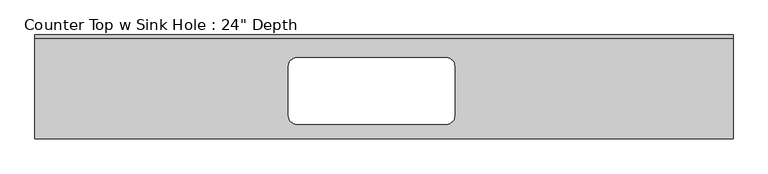
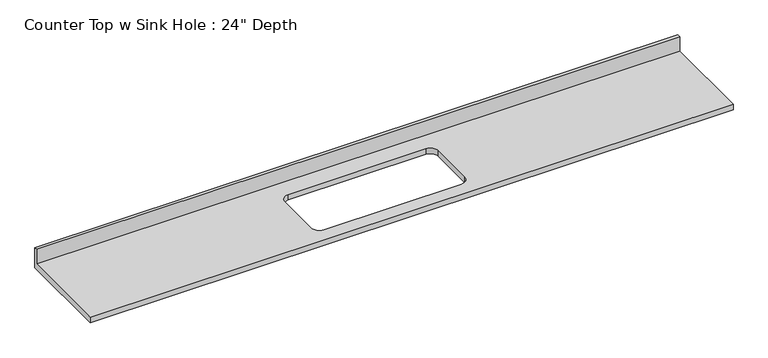
"""IFC4 building model written with IfcOpenShell, lengths in millimetres: furniture geometry."""

from ifc_helpers import new_model, si_unit, frame, origin, place, context, project, spatial, polyline, circle_curve, source, transform, mapped, element, save
from ifc_brep_helpers import plane_surface, revolved_surface, advanced_brep


def furniture_226746e0(model_context):
    return source(origin(), model_context, "Body", "AdvancedBrep", [
        advanced_brep(
        [(-1200.4622951, -635.0, 914.4), (3066.7377049, -635.0, 914.4), (3066.7377049, -19.05, 914.4), (-1200.4622951, -19.05, 914.4), (399.7377049, -139.7, 914.4), (1314.1377049, -139.7, 914.4), (1364.9377049, -190.5, 914.4), (1364.9377049, -495.3, 914.4), (1314.1377049, -546.1, 914.4), (399.7377049, -546.1, 914.4), (348.9377049, -495.3, 914.4), (348.9377049, -190.5, 914.4), (3066.7377049, 0.0, 876.3), (3066.7377049, -635.0, 876.3), (-1200.4622951, -635.0, 876.3), (-1200.4622951, 0.0, 876.3), (1314.1377049, -139.7, 876.3), (399.7377049, -139.7, 876.3), (348.9377049, -190.5, 876.3), (348.9377049, -495.3, 876.3), (399.7377049, -546.1, 876.3), (1314.1377049, -546.1, 876.3), (1364.9377049, -495.3, 876.3), (1364.9377049, -190.5, 876.3), (-1200.4622951, 0.0, 1016.0), (3066.7377049, 0.0, 1016.0), (-1200.4622951, -19.05, 1016.0), (3066.7377049, -19.05, 1016.0)],
        [
            (0, 1),
            (1, 2),
            (2, 3),
            (3, 0),
            (4, 5),
            (5, 6, circle_curve(frame((1314.1377049, -190.5, 914.4), z_axis=(0.0, 0.0, -1.0), x_axis=(1.0, 0.0, 0.0)), 50.8)),
            (6, 7),
            (7, 8, circle_curve(frame((1314.1377049, -495.3, 914.4), z_axis=(0.0, 0.0, -1.0), x_axis=(1.0, 0.0, 0.0)), 50.8)),
            (8, 9),
            (9, 10, circle_curve(frame((399.7377049, -495.3, 914.4), z_axis=(0.0, 0.0, -1.0), x_axis=(1.0, 0.0, 0.0)), 50.8)),
            (10, 11),
            (11, 4, circle_curve(frame((399.7377049, -190.5, 914.4), z_axis=(0.0, 0.0, -1.0), x_axis=(1.0, 0.0, 0.0)), 50.8)),
            (12, 13),
            (13, 14),
            (14, 15),
            (15, 12),
            (16, 17),
            (17, 18, circle_curve(frame((399.7377049, -190.5, 876.3), z_axis=(0.0, 0.0, 1.0), x_axis=(1.0, 0.0, 0.0)), 50.8)),
            (18, 19),
            (19, 20, circle_curve(frame((399.7377049, -495.3, 876.3), z_axis=(0.0, 0.0, 1.0), x_axis=(1.0, 0.0, 0.0)), 50.8)),
            (20, 21),
            (21, 22, circle_curve(frame((1314.1377049, -495.3, 876.3), z_axis=(0.0, 0.0, 1.0), x_axis=(1.0, 0.0, 0.0)), 50.8)),
            (22, 23),
            (23, 16, circle_curve(frame((1314.1377049, -190.5, 876.3), z_axis=(0.0, 0.0, 1.0), x_axis=(1.0, 0.0, 0.0)), 50.8)),
            (15, 24),
            (24, 25),
            (25, 12),
            (14, 0),
            (3, 26),
            (26, 24),
            (13, 1),
            (25, 27),
            (27, 2),
            (26, 27),
            (4, 17),
            (16, 5),
            (11, 18),
            (10, 19),
            (9, 20),
            (8, 21),
            (7, 22),
            (6, 23),
        ],
        [
            plane_surface(frame((-1200.4622951, 0.0, 914.4), z_axis=(0.0, 0.0, 1.0), x_axis=(-1.0, 0.0, 0.0))),
            plane_surface(frame((-1200.4622951, 0.0, 876.3), z_axis=(0.0, 0.0, -1.0), x_axis=(1.0, 0.0, 0.0))),
            plane_surface(frame((3066.7377049, 0.0, 914.4), z_axis=(0.0, 1.0, 0.0), x_axis=(0.0, 0.0, -1.0))),
            plane_surface(frame((-1200.4622951, 0.0, 914.4), z_axis=(-1.0, 0.0, 0.0), x_axis=(0.0, 0.0, -1.0))),
            plane_surface(frame((-1200.4622951, -635.0, 914.4), z_axis=(0.0, -1.0, 0.0), x_axis=(0.0, 0.0, -1.0))),
            plane_surface(frame((3066.7377049, -635.0, 914.4), z_axis=(1.0, 0.0, 0.0), x_axis=(0.0, 0.0, -1.0))),
            plane_surface(frame((-1200.4622951, 0.0, 1016.0), z_axis=(0.0, 0.0, 1.0), x_axis=(0.0, -1.0, 0.0))),
            plane_surface(frame((-1200.4622951, -19.05, 1016.0), z_axis=(0.0, -1.0, 0.0), x_axis=(0.0, 0.0, -1.0))),
            plane_surface(frame((1314.1377049, -139.7, 914.4), z_axis=(0.0, -1.0, 0.0), x_axis=(0.0, 0.0, -1.0))),
            revolved_surface(polyline([(450.5377049, -190.5, 914.4), (450.5377049, -190.5, 876.3)]), (399.7377049, -190.5, 876.3), (0.0, 0.0, 1.0)),
            plane_surface(frame((348.9377049, -190.5, 914.4), z_axis=(1.0, 0.0, 0.0), x_axis=(0.0, 0.0, -1.0))),
            revolved_surface(polyline([(450.5377049, -495.3, 914.4), (450.5377049, -495.3, 876.3)]), (399.7377049, -495.3, 876.3), (0.0, 0.0, 1.0)),
            plane_surface(frame((399.7377049, -546.1, 914.4), z_axis=(0.0, 1.0, 0.0), x_axis=(0.0, 0.0, -1.0))),
            revolved_surface(polyline([(1364.9377049, -495.3, 914.4), (1364.9377049, -495.3, 876.3)]), (1314.1377049, -495.3, 876.3), (0.0, 0.0, 1.0)),
            plane_surface(frame((1364.9377049, -495.3, 914.4), z_axis=(-1.0, 0.0, 0.0), x_axis=(0.0, 0.0, -1.0))),
            revolved_surface(polyline([(1364.9377049, -190.5, 914.4), (1364.9377049, -190.5, 876.3)]), (1314.1377049, -190.5, 876.3), (0.0, 0.0, 1.0)),
        ],
        [
            (0, [[1, 2, 3, 4], [5, 6, 7, 8, 9, 10, 11, 12]]),
            (1, [[13, 14, 15, 16], [17, 18, 19, 20, 21, 22, 23, 24]]),
            (2, [[-16, 25, 26, 27]]),
            (3, [[-15, 28, -4, 29, 30, -25]]),
            (4, [[-1, -28, -14, 31]]),
            (5, [[-13, -27, 32, 33, -2, -31]]),
            (6, [[-30, 34, -32, -26]]),
            (7, [[-34, -29, -3, -33]]),
            (8, [[35, -17, 36, -5]]),
            (9, [[-35, -12, 37, -18]]),
            (10, [[-37, -11, 38, -19]]),
            (11, [[-38, -10, 39, -20]]),
            (12, [[-39, -9, 40, -21]]),
            (13, [[-40, -8, 41, -22]]),
            (14, [[-41, -7, 42, -23]]),
            (15, [[-36, -24, -42, -6]]),
        ],
    ),
    ])


if __name__ == "__main__":
    model = new_model("IFC4")
    model_context = context("Model", 3, world=origin())
    ifc_project = project(units=[si_unit("LENGTHUNIT", "METRE", prefix="MILLI")], contexts=[model_context])
    site = spatial("IfcSite", under=ifc_project)
    building = spatial("IfcBuilding", under=site)
    placement = place(None, origin())
    furniture_shape = furniture_226746e0(model_context)
    element("IfcFurniture", 1, ObjectType="Counter Top w Sink Hole : 24\" Depth", at=placement, inside=building, context=model_context, shape_type="MappedRepresentation", body=[
        mapped(furniture_shape, transform((0.0, 0.0, 0.0), x_axis=(1.0, 0.0, 0.0), y_axis=(0.0, 1.0, 0.0), z_axis=(0.0, 0.0, 1.0))),
    ])
    save(model, "model.ifc")
